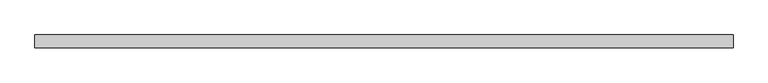
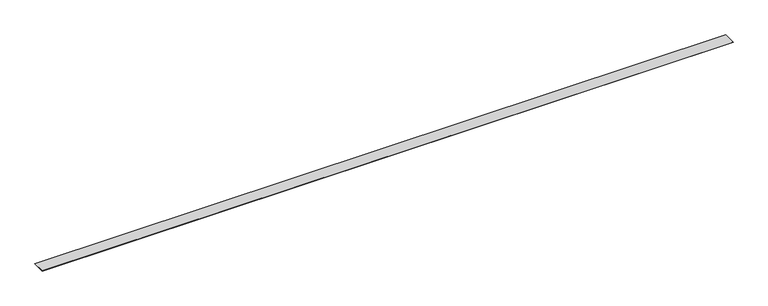
"""IFC4 building model written with IfcOpenShell, lengths in millimetres: proxy geometry."""

from ifc_helpers import new_model, si_unit, frame, origin, place, context, project, spatial, polyline, outline, extrude, source, transform, mapped, element, save


def specialty_equipment_7b98e7de(model_context):
    return source(origin(), model_context, "Body", "SweptSolid", [
        extrude(outline(polyline([(8382.0, 0.0), (8382.0, -152.4), (0.0, -152.4), (0.0, 0.0), (8382.0, 0.0)])), frame((0.0, 0.0, 1.5875), z_axis=(0.0, 0.0, 1.0), x_axis=(1.0, 0.0, 0.0)), (0.0, 0.0, 1.0), 1.5875),
    ])


if __name__ == "__main__":
    model = new_model("IFC4")
    model_context = context("Model", 3, world=origin())
    ifc_project = project(units=[si_unit("LENGTHUNIT", "METRE", prefix="MILLI")], contexts=[model_context])
    site = spatial("IfcSite", under=ifc_project)
    building = spatial("IfcBuilding", under=site)
    placement = place(None, origin())
    specialty_equipment_shape = specialty_equipment_7b98e7de(model_context)
    element("IfcBuildingElementProxy", 1, Name="Specialty Equipment", at=placement, inside=building, context=model_context, shape_type="MappedRepresentation", body=[
        mapped(specialty_equipment_shape, transform((0.0, 0.0, 0.0), x_axis=(1.0, 0.0, 0.0), y_axis=(0.0, 1.0, 0.0), z_axis=(0.0, 0.0, 1.0))),
    ])
    save(model, "model.ifc")
